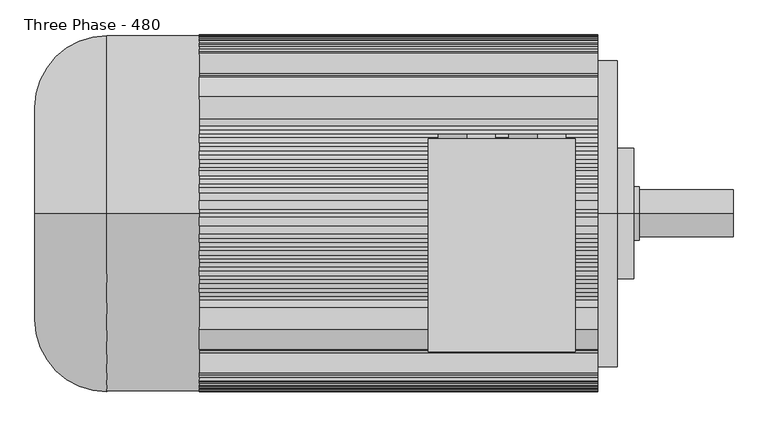
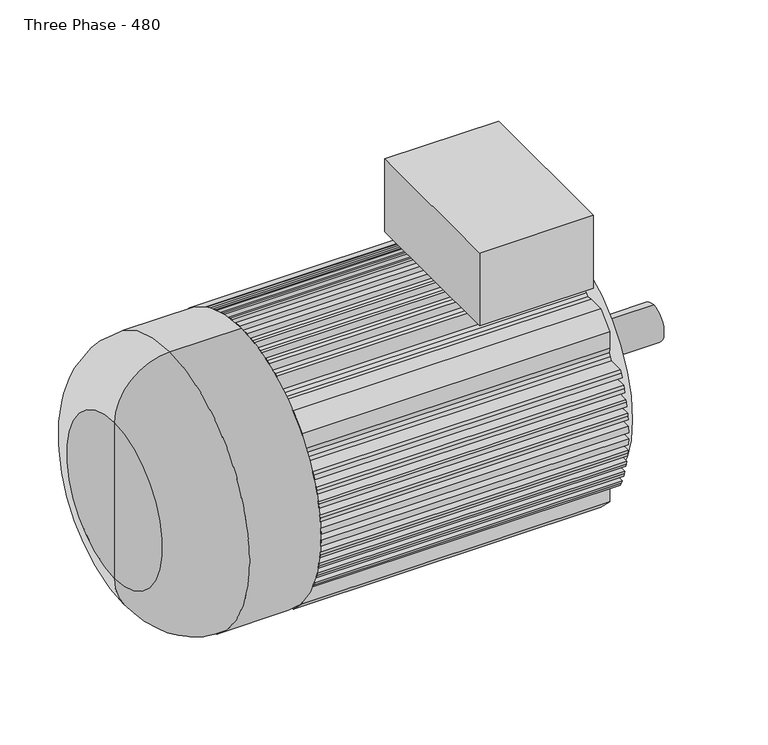
"""IFC4 building model written with IfcOpenShell, lengths in millimetres: proxy geometry, Three Phase - 480."""

from ifc_helpers import new_model, si_unit, point, frame, frame_2d, origin, origin_2d, place, context, project, spatial, polyline, circle_curve, ellipse_curve, trimmed, segment, composite_curve, outline, extrude, source, transform, mapped, element, save
from ifc_brep_helpers import plane_surface, cylinder_surface, revolved_surface, advanced_brep


def three_phase_480_f0021c9d(model_context):
    return source(origin(), model_context, "Body", "SolidModel", [
        advanced_brep(
        [(-180.0, 0.0, 0.0), (-180.0, 0.0, -117.872903), (-180.0, 0.0, 117.872903), (-244.568788, 0.0, 277.0874609), (-244.568788, 0.0, -277.0874609), (-244.568788, 0.0, 0.0), (-209.392113, 0.0, 277.0874609), (-209.392113, 0.0, -277.0874609), (-209.392113, 0.0, 117.872903), (-209.392113, 0.0, -117.872903)],
        [
            (0, 1),
            (1, 2, circle_curve(frame((-180.0, 0.0, 0.0), z_axis=(1.0, 0.0, 0.0), x_axis=(0.0, 0.0, -1.0)), 117.872903)),
            (2, 0),
            (2, 1, circle_curve(frame((-180.0, 0.0, 0.0), z_axis=(1.0, 0.0, 0.0), x_axis=(0.0, 0.0, -1.0)), 117.872903)),
            (3, 4, circle_curve(frame((-244.568788, 0.0, 0.0), z_axis=(-1.0, 0.0, 0.0), x_axis=(0.0, 0.0, -1.0)), 277.0874609)),
            (4, 5),
            (5, 3),
            (4, 3, circle_curve(frame((-244.568788, 0.0, 0.0), z_axis=(-1.0, 0.0, 0.0), x_axis=(0.0, 0.0, -1.0)), 277.0874609)),
            (6, 7, circle_curve(frame((-209.392113, 0.0, 0.0), z_axis=(-1.0, 0.0, 0.0), x_axis=(0.0, 0.0, -1.0)), 277.0874609)),
            (7, 4),
            (3, 6),
            (7, 6, circle_curve(frame((-209.392113, 0.0, 0.0), z_axis=(-1.0, 0.0, 0.0), x_axis=(0.0, 0.0, -1.0)), 277.0874609)),
            (8, 9, circle_curve(frame((-209.392113, 0.0, 0.0), z_axis=(-1.0, 0.0, 0.0), x_axis=(0.0, 0.0, -1.0)), 117.872903)),
            (9, 7),
            (6, 8),
            (9, 8, circle_curve(frame((-209.392113, 0.0, 0.0), z_axis=(-1.0, 0.0, 0.0), x_axis=(0.0, 0.0, -1.0)), 117.872903)),
            (1, 9),
            (8, 2),
        ],
        [
            plane_surface(frame((-180.0, 0.0, 0.0), z_axis=(1.0, 0.0, 0.0), x_axis=(0.0, 0.0, -1.0))),
            plane_surface(frame((-244.568788, 0.0, 0.0), z_axis=(-1.0, 0.0, 0.0), x_axis=(0.0, 0.0, -1.0))),
            cylinder_surface(frame((-1534.6345384, 0.0, 0.0), z_axis=(1.0, 0.0, 0.0), x_axis=(0.0, 0.0, -1.0)), 277.0874609),
            plane_surface(frame((-209.392113, 0.0, 0.0), z_axis=(1.0, 0.0, 0.0), x_axis=(0.0, 0.0, -1.0))),
            cylinder_surface(frame((-1534.6345384, 0.0, 0.0), z_axis=(1.0, 0.0, 0.0), x_axis=(0.0, 0.0, -1.0)), 117.872903),
        ],
        [
            (0, [[1, 2, 3]]),
            (0, [[-3, 4, -1]]),
            (1, [[5, 6, 7]]),
            (1, [[8, -7, -6]]),
            (2, [[9, 10, -5, 11]]),
            (2, [[12, -11, -8, -10]]),
            (3, [[13, 14, -9, 15]]),
            (3, [[16, -15, -12, -14]]),
            (4, [[-2, 17, -13, 18]]),
            (4, [[-4, -18, -16, -17]]),
        ],
    ),
        advanced_brep(
        [(0.0, 0.0, -42.5), (0.0, 0.0, 42.5), (0.0, 0.0, 0.0), (-170.0, 0.0, -42.5), (-170.0, 0.0, 42.5), (-170.0, 0.0, -48.5), (-170.0, 0.0, 48.5), (-180.0, 0.0, -48.5), (-180.0, 0.0, 48.5), (-180.0, 0.0, 0.0)],
        [
            (0, 1, circle_curve(frame((0.0, 0.0, 0.0), z_axis=(1.0, 0.0, 0.0), x_axis=(0.0, 0.0, 1.0)), 42.5)),
            (1, 2),
            (2, 0),
            (1, 0, circle_curve(frame((0.0, 0.0, 0.0), z_axis=(1.0, 0.0, 0.0), x_axis=(0.0, 0.0, 1.0)), 42.5)),
            (3, 4, circle_curve(frame((-170.0, 0.0, 0.0), z_axis=(1.0, 0.0, 0.0), x_axis=(0.0, 0.0, 1.0)), 42.5)),
            (4, 1),
            (0, 3),
            (4, 3, circle_curve(frame((-170.0, 0.0, 0.0), z_axis=(1.0, 0.0, 0.0), x_axis=(0.0, 0.0, 1.0)), 42.5)),
            (5, 6, circle_curve(frame((-170.0, 0.0, 0.0), z_axis=(1.0, 0.0, 0.0), x_axis=(0.0, 0.0, 1.0)), 48.5)),
            (6, 4),
            (3, 5),
            (6, 5, circle_curve(frame((-170.0, 0.0, 0.0), z_axis=(1.0, 0.0, 0.0), x_axis=(0.0, 0.0, 1.0)), 48.5)),
            (7, 8, circle_curve(frame((-180.0, 0.0, 0.0), z_axis=(1.0, 0.0, 0.0), x_axis=(0.0, 0.0, 1.0)), 48.5)),
            (8, 6),
            (5, 7),
            (8, 7, circle_curve(frame((-180.0, 0.0, 0.0), z_axis=(1.0, 0.0, 0.0), x_axis=(0.0, 0.0, 1.0)), 48.5)),
            (9, 8),
            (7, 9),
        ],
        [
            plane_surface(frame((0.0, 0.0, 0.0), z_axis=(1.0, 0.0, 0.0), x_axis=(0.0, 0.0, 1.0))),
            cylinder_surface(frame((0.0, 0.0, 0.0), z_axis=(-1.0, 0.0, 0.0), x_axis=(0.0, 0.0, 1.0)), 42.5),
            plane_surface(frame((-170.0, 0.0, 0.0), z_axis=(1.0, 0.0, 0.0), x_axis=(0.0, 0.0, 1.0))),
            cylinder_surface(frame((0.0, 0.0, 0.0), z_axis=(-1.0, 0.0, 0.0), x_axis=(0.0, 0.0, 1.0)), 48.5),
            plane_surface(frame((-180.0, 0.0, 0.0), z_axis=(-1.0, 0.0, 0.0), x_axis=(0.0, 0.0, 1.0))),
        ],
        [
            (0, [[1, 2, 3]]),
            (0, [[4, -3, -2]]),
            (1, [[5, 6, -1, 7]]),
            (1, [[8, -7, -4, -6]]),
            (2, [[9, 10, -5, 11]]),
            (2, [[12, -11, -8, -10]]),
            (3, [[13, 14, -9, 15]]),
            (3, [[16, -15, -12, -14]]),
            (4, [[17, -13, 18]]),
            (4, [[-18, -16, -17]]),
        ],
    ),
        extrude(outline(composite_curve([segment(trimmed(circle_curve(frame_2d((421.1011738, -354.2792793)), 51.5), [point((369.6011738, -354.2792793))], [point((472.6011738, -354.2792793))], False, "CARTESIAN"), True, "CONTINUOUS"), segment(trimmed(circle_curve(frame_2d((421.1011738, -354.2792793)), 51.5), [point((472.6011738, -354.2792793))], [point((369.6011738, -354.2792793))], False, "CARTESIAN"), True, "CONTINUOUS")], self_intersect=False)), frame((0.0, 135.0, 0.0), z_axis=(0.0, 1.0, 0.0), x_axis=(0.0, 0.0, 1.0)), (0.0, 0.0, 1.0), 7.5),
        extrude(outline(composite_curve([segment(trimmed(circle_curve(frame_2d((421.1011738, -481.7207207)), 51.5), [point((369.6011738, -481.7207207))], [point((472.6011738, -481.7207207))], False, "CARTESIAN"), True, "CONTINUOUS"), segment(trimmed(circle_curve(frame_2d((421.1011738, -481.7207207)), 51.5), [point((472.6011738, -481.7207207))], [point((369.6011738, -481.7207207))], False, "CARTESIAN"), True, "CONTINUOUS")], self_intersect=False)), frame((0.0, 135.0, 0.0), z_axis=(0.0, 1.0, 0.0), x_axis=(0.0, 0.0, 1.0)), (0.0, 0.0, 1.0), 7.5),
        extrude(outline(polyline([(-285.0, 135.0), (-285.0, -250.0), (-551.0, -250.0), (-551.0, 135.0), (-285.0, 135.0)])), frame((0.0, 0.0, 334.999977), z_axis=(0.0, 0.0, 1.0), x_axis=(1.0, 0.0, 0.0)), (0.0, 0.0, 1.0), 180.0),
        extrude(outline(composite_curve([segment(trimmed(circle_curve(origin_2d(), 290.0), [point((-149.8159558, 248.3046101))], [point((-142.5, 252.5742465))], False, "CARTESIAN"), True, "CONTINUOUS"), segment(polyline([(-142.5, 252.5742465), (-142.5, 289.3095228)]), True, "CONTINUOUS"), segment(trimmed(circle_curve(origin_2d(), 322.5), [point((-142.5, 289.3095228))], [point((-136.2377877, 292.3106485))], False, "CARTESIAN"), True, "CONTINUOUS"), segment(trimmed(circle_curve(origin_2d(), 322.5), [point((-136.2377877, 292.3106485))], [point((-127.5, 296.2262649))], False, "CARTESIAN"), True, "CONTINUOUS"), segment(polyline([(-127.5, 296.2262649), (-127.5, 260.4683282)]), True, "CONTINUOUS"), segment(trimmed(circle_curve(origin_2d(), 290.0), [point((-127.5, 260.4683282))], [point((-119.8687539, 264.0671919))], False, "CARTESIAN"), True, "CONTINUOUS"), segment(trimmed(circle_curve(origin_2d(), 290.0), [point((-119.8687539, 264.0671919))], [point((-112.5, 267.2896369))], False, "CARTESIAN"), True, "CONTINUOUS"), segment(polyline([(-112.5, 267.2896369), (-112.5, 302.2416252)]), True, "CONTINUOUS"), segment(trimmed(circle_curve(origin_2d(), 322.5), [point((-112.5, 302.2416252))], [point((-104.8320547, 304.9860494))], False, "CARTESIAN"), True, "CONTINUOUS"), segment(trimmed(circle_curve(origin_2d(), 322.5), [point((-104.8320547, 304.9860494))], [point((-97.5, 307.408523))], False, "CARTESIAN"), True, "CONTINUOUS"), segment(polyline([(-97.5, 307.408523), (-97.5, 273.118564)]), True, "CONTINUOUS"), segment(trimmed(circle_curve(origin_2d(), 290.0), [point((-97.5, 273.118564))], [point((-89.7764384, 275.7538596))], False, "CARTESIAN"), True, "CONTINUOUS"), segment(trimmed(circle_curve(origin_2d(), 290.0), [point((-89.7764384, 275.7538596))], [point((-82.5, 278.0175354))], False, "CARTESIAN"), True, "CONTINUOUS"), segment(polyline([(-82.5, 278.0175354), (-82.5, 311.7691454)]), True, "CONTINUOUS"), segment(trimmed(circle_curve(origin_2d(), 322.5), [point((-82.5, 311.7691454))], [point((-76.9216466, 313.19213))], False, "CARTESIAN"), True, "CONTINUOUS"), segment(trimmed(circle_curve(origin_2d(), 322.5), [point((-76.9216466, 313.19213))], [point((-67.5, 315.3569406))], False, "CARTESIAN"), True, "CONTINUOUS"), segment(polyline([(-67.5, 315.3569406), (-67.5, 282.0350156)]), True, "CONTINUOUS"), segment(trimmed(circle_curve(origin_2d(), 290.0), [point((-67.5, 282.0350156))], [point((-61.3123716, 283.444515))], False, "CARTESIAN"), True, "CONTINUOUS"), segment(trimmed(circle_curve(origin_2d(), 290.0), [point((-61.3123716, 283.444515))], [point((-52.5, 285.2082572))], False, "CARTESIAN"), True, "CONTINUOUS"), segment(polyline([(-52.5, 285.2082572), (-52.5, 318.1980515)]), True, "CONTINUOUS"), segment(trimmed(circle_curve(origin_2d(), 322.5), [point((-52.5, 318.1980515))], [point((-46.1406769, 319.1822174))], False, "CARTESIAN"), True, "CONTINUOUS"), segment(trimmed(circle_curve(origin_2d(), 322.5), [point((-46.1406769, 319.1822174))], [point((-37.5, 320.3123476))], False, "CARTESIAN"), True, "CONTINUOUS"), segment(polyline([(-37.5, 320.3123476), (-37.5, 287.56521)]), True, "CONTINUOUS"), segment(trimmed(circle_curve(origin_2d(), 290.0), [point((-37.5, 287.56521))], [point((-22.5, 289.1258377))], False, "CARTESIAN"), True, "CONTINUOUS"), segment(polyline([(-22.5, 289.1258377), (-22.5, 321.7141588)]), True, "CONTINUOUS"), segment(trimmed(circle_curve(origin_2d(), 322.5), [point((-22.5, 321.7141588))], [point((-7.5, 322.4127789))], False, "CARTESIAN"), True, "CONTINUOUS"), segment(polyline([(-7.5, 322.4127789), (-7.5, 289.903001)]), True, "CONTINUOUS"), segment(trimmed(circle_curve(origin_2d(), 290.0), [point((-7.5, 289.903001))], [point((0.0, 290.0))], False, "CARTESIAN"), True, "CONTINUOUS"), segment(trimmed(circle_curve(origin_2d(), 290.0), [point((0.0, 290.0))], [point((7.5, 289.903001))], False, "CARTESIAN"), True, "CONTINUOUS"), segment(polyline([(7.5, 289.903001), (7.5, 322.4127789)]), True, "CONTINUOUS"), segment(trimmed(circle_curve(origin_2d(), 322.5), [point((7.5, 322.4127789))], [point((22.5, 321.7141588))], False, "CARTESIAN"), True, "CONTINUOUS"), segment(polyline([(22.5, 321.7141588), (22.5, 289.1258377)]), True, "CONTINUOUS"), segment(trimmed(circle_curve(origin_2d(), 290.0), [point((22.5, 289.1258377))], [point((37.5, 287.56521))], False, "CARTESIAN"), True, "CONTINUOUS"), segment(polyline([(37.5, 287.56521), (37.5, 320.3123476)]), True, "CONTINUOUS"), segment(trimmed(circle_curve(origin_2d(), 322.5), [point((37.5, 320.3123476))], [point((46.1406769, 319.1822174))], False, "CARTESIAN"), True, "CONTINUOUS"), segment(trimmed(circle_curve(origin_2d(), 322.5), [point((46.1406769, 319.1822174))], [point((52.5, 318.1980515))], False, "CARTESIAN"), True, "CONTINUOUS"), segment(polyline([(52.5, 318.1980515), (52.5, 285.2082572)]), True, "CONTINUOUS"), segment(trimmed(circle_curve(origin_2d(), 290.0), [point((52.5, 285.2082572))], [point((61.3123716, 283.444515))], False, "CARTESIAN"), True, "CONTINUOUS"), segment(trimmed(circle_curve(origin_2d(), 290.0), [point((61.3123716, 283.444515))], [point((67.5, 282.0350156))], False, "CARTESIAN"), True, "CONTINUOUS"), segment(polyline([(67.5, 282.0350156), (67.5, 315.3569406)]), True, "CONTINUOUS"), segment(trimmed(circle_curve(origin_2d(), 322.5), [point((67.5, 315.3569406))], [point((76.9216466, 313.19213))], False, "CARTESIAN"), True, "CONTINUOUS"), segment(trimmed(circle_curve(origin_2d(), 322.5), [point((76.9216466, 313.19213))], [point((82.5, 311.7691454))], False, "CARTESIAN"), True, "CONTINUOUS"), segment(polyline([(82.5, 311.7691454), (82.5, 278.0175354)]), True, "CONTINUOUS"), segment(trimmed(circle_curve(origin_2d(), 290.0), [point((82.5, 278.0175354))], [point((89.7764384, 275.7538596))], False, "CARTESIAN"), True, "CONTINUOUS"), segment(trimmed(circle_curve(origin_2d(), 290.0), [point((89.7764384, 275.7538596))], [point((97.5, 273.118564))], False, "CARTESIAN"), True, "CONTINUOUS"), segment(polyline([(97.5, 273.118564), (97.5, 307.408523)]), True, "CONTINUOUS"), segment(trimmed(circle_curve(origin_2d(), 322.5), [point((97.5, 307.408523))], [point((104.8320547, 304.9860494))], False, "CARTESIAN"), True, "CONTINUOUS"), segment(trimmed(circle_curve(origin_2d(), 322.5), [point((104.8320547, 304.9860494))], [point((112.5, 302.2416252))], False, "CARTESIAN"), True, "CONTINUOUS"), segment(polyline([(112.5, 302.2416252), (112.5, 267.2896369)]), True, "CONTINUOUS"), segment(trimmed(circle_curve(origin_2d(), 290.0), [point((112.5, 267.2896369))], [point((119.8687539, 264.0671919))], False, "CARTESIAN"), True, "CONTINUOUS"), segment(trimmed(circle_curve(origin_2d(), 290.0), [point((119.8687539, 264.0671919))], [point((127.5, 260.4683282))], False, "CARTESIAN"), True, "CONTINUOUS"), segment(polyline([(127.5, 260.4683282), (127.5, 296.2262649)]), True, "CONTINUOUS"), segment(trimmed(circle_curve(origin_2d(), 322.5), [point((127.5, 296.2262649))], [point((136.2377877, 292.3106485))], False, "CARTESIAN"), True, "CONTINUOUS"), segment(trimmed(circle_curve(origin_2d(), 322.5), [point((136.2377877, 292.3106485))], [point((142.5, 289.3095228))], False, "CARTESIAN"), True, "CONTINUOUS"), segment(polyline([(142.5, 289.3095228), (142.5, 252.5742465)]), True, "CONTINUOUS"), segment(trimmed(circle_curve(origin_2d(), 290.0), [point((142.5, 252.5742465))], [point((149.8159558, 248.3046101))], False, "CARTESIAN"), True, "CONTINUOUS"), segment(trimmed(circle_curve(origin_2d(), 290.0), [point((149.8159558, 248.3046101))], [point((157.5, 243.5030801))], False, "CARTESIAN"), True, "CONTINUOUS"), segment(polyline([(157.5, 243.5030801), (170.2834736, 245.7196065), (210.3642674, 245.7196065), (245.7196065, 210.3642674), (245.7196065, 170.2834736), (243.5030801, 157.5)]), True, "CONTINUOUS"), segment(trimmed(circle_curve(origin_2d(), 290.0), [point((243.5030801, 157.5))], [point((248.3046101, 149.8159558))], False, "CARTESIAN"), True, "CONTINUOUS"), segment(trimmed(circle_curve(origin_2d(), 290.0), [point((248.3046101, 149.8159558))], [point((252.5742465, 142.5))], False, "CARTESIAN"), True, "CONTINUOUS"), segment(polyline([(252.5742465, 142.5), (289.3095228, 142.5)]), True, "CONTINUOUS"), segment(trimmed(circle_curve(origin_2d(), 322.5), [point((289.3095228, 142.5))], [point((292.3106485, 136.2377877))], False, "CARTESIAN"), True, "CONTINUOUS"), segment(trimmed(circle_curve(origin_2d(), 322.5), [point((292.3106485, 136.2377877))], [point((296.2262649, 127.5))], False, "CARTESIAN"), True, "CONTINUOUS"), segment(polyline([(296.2262649, 127.5), (260.4683282, 127.5)]), True, "CONTINUOUS"), segment(trimmed(circle_curve(origin_2d(), 290.0), [point((260.4683282, 127.5))], [point((264.0671919, 119.8687539))], False, "CARTESIAN"), True, "CONTINUOUS"), segment(trimmed(circle_curve(origin_2d(), 290.0), [point((264.0671919, 119.8687539))], [point((267.2896369, 112.5))], False, "CARTESIAN"), True, "CONTINUOUS"), segment(polyline([(267.2896369, 112.5), (302.2416252, 112.5)]), True, "CONTINUOUS"), segment(trimmed(circle_curve(origin_2d(), 322.5), [point((302.2416252, 112.5))], [point((304.9860494, 104.8320547))], False, "CARTESIAN"), True, "CONTINUOUS"), segment(trimmed(circle_curve(origin_2d(), 322.5), [point((304.9860494, 104.8320547))], [point((307.408523, 97.5))], False, "CARTESIAN"), True, "CONTINUOUS"), segment(polyline([(307.408523, 97.5), (273.118564, 97.5)]), True, "CONTINUOUS"), segment(trimmed(circle_curve(origin_2d(), 290.0), [point((273.118564, 97.5))], [point((275.7538596, 89.7764384))], False, "CARTESIAN"), True, "CONTINUOUS"), segment(trimmed(circle_curve(origin_2d(), 290.0), [point((275.7538596, 89.7764384))], [point((278.0175354, 82.5))], False, "CARTESIAN"), True, "CONTINUOUS"), segment(polyline([(278.0175354, 82.5), (311.7691454, 82.5)]), True, "CONTINUOUS"), segment(trimmed(circle_curve(origin_2d(), 322.5), [point((311.7691454, 82.5))], [point((313.19213, 76.9216466))], False, "CARTESIAN"), True, "CONTINUOUS"), segment(trimmed(circle_curve(origin_2d(), 322.5), [point((313.19213, 76.9216466))], [point((315.3569406, 67.5))], False, "CARTESIAN"), True, "CONTINUOUS"), segment(polyline([(315.3569406, 67.5), (282.0350156, 67.5)]), True, "CONTINUOUS"), segment(trimmed(circle_curve(origin_2d(), 290.0), [point((282.0350156, 67.5))], [point((283.444515, 61.3123716))], False, "CARTESIAN"), True, "CONTINUOUS"), segment(trimmed(circle_curve(origin_2d(), 290.0), [point((283.444515, 61.3123716))], [point((285.2082572, 52.5))], False, "CARTESIAN"), True, "CONTINUOUS"), segment(polyline([(285.2082572, 52.5), (318.1980515, 52.5)]), True, "CONTINUOUS"), segment(trimmed(circle_curve(origin_2d(), 322.5), [point((318.1980515, 52.5))], [point((319.1822174, 46.1406769))], False, "CARTESIAN"), True, "CONTINUOUS"), segment(trimmed(circle_curve(origin_2d(), 322.5), [point((319.1822174, 46.1406769))], [point((320.3123476, 37.5))], False, "CARTESIAN"), True, "CONTINUOUS"), segment(polyline([(320.3123476, 37.5), (287.56521, 37.5)]), True, "CONTINUOUS"), segment(trimmed(circle_curve(origin_2d(), 290.0), [point((287.56521, 37.5))], [point((289.1258377, 22.5))], False, "CARTESIAN"), True, "CONTINUOUS"), segment(polyline([(289.1258377, 22.5), (321.7141588, 22.5)]), True, "CONTINUOUS"), segment(trimmed(circle_curve(origin_2d(), 322.5), [point((321.7141588, 22.5))], [point((322.4127789, 7.5))], False, "CARTESIAN"), True, "CONTINUOUS"), segment(polyline([(322.4127789, 7.5), (289.903001, 7.5)]), True, "CONTINUOUS"), segment(trimmed(circle_curve(origin_2d(), 290.0), [point((289.903001, 7.5))], [point((290.0, 0.0))], False, "CARTESIAN"), True, "CONTINUOUS"), segment(trimmed(circle_curve(origin_2d(), 290.0), [point((290.0, 0.0))], [point((289.903001, -7.5))], False, "CARTESIAN"), True, "CONTINUOUS"), segment(polyline([(289.903001, -7.5), (322.4127789, -7.5)]), True, "CONTINUOUS"), segment(trimmed(circle_curve(origin_2d(), 322.5), [point((322.4127789, -7.5))], [point((321.7141588, -22.5))], False, "CARTESIAN"), True, "CONTINUOUS"), segment(polyline([(321.7141588, -22.5), (289.1258377, -22.5)]), True, "CONTINUOUS"), segment(trimmed(circle_curve(origin_2d(), 290.0), [point((289.1258377, -22.5))], [point((287.56521, -37.5))], False, "CARTESIAN"), True, "CONTINUOUS"), segment(polyline([(287.56521, -37.5), (320.3123476, -37.5)]), True, "CONTINUOUS"), segment(trimmed(circle_curve(origin_2d(), 322.5), [point((320.3123476, -37.5))], [point((319.1822174, -46.1406769))], False, "CARTESIAN"), True, "CONTINUOUS"), segment(trimmed(circle_curve(origin_2d(), 322.5), [point((319.1822174, -46.1406769))], [point((318.1980515, -52.5))], False, "CARTESIAN"), True, "CONTINUOUS"), segment(polyline([(318.1980515, -52.5), (285.2082572, -52.5)]), True, "CONTINUOUS"), segment(trimmed(circle_curve(origin_2d(), 290.0), [point((285.2082572, -52.5))], [point((283.444515, -61.3123716))], False, "CARTESIAN"), True, "CONTINUOUS"), segment(trimmed(circle_curve(origin_2d(), 290.0), [point((283.444515, -61.3123716))], [point((282.0350156, -67.5))], False, "CARTESIAN"), True, "CONTINUOUS"), segment(polyline([(282.0350156, -67.5), (315.3569406, -67.5)]), True, "CONTINUOUS"), segment(trimmed(circle_curve(origin_2d(), 322.5), [point((315.3569406, -67.5))], [point((313.19213, -76.9216466))], False, "CARTESIAN"), True, "CONTINUOUS"), segment(trimmed(circle_curve(origin_2d(), 322.5), [point((313.19213, -76.9216466))], [point((311.7691454, -82.5))], False, "CARTESIAN"), True, "CONTINUOUS"), segment(polyline([(311.7691454, -82.5), (278.0175354, -82.5)]), True, "CONTINUOUS"), segment(trimmed(circle_curve(origin_2d(), 290.0), [point((278.0175354, -82.5))], [point((275.7538596, -89.7764384))], False, "CARTESIAN"), True, "CONTINUOUS"), segment(trimmed(circle_curve(origin_2d(), 290.0), [point((275.7538596, -89.7764384))], [point((273.118564, -97.5))], False, "CARTESIAN"), True, "CONTINUOUS"), segment(polyline([(273.118564, -97.5), (307.408523, -97.5)]), True, "CONTINUOUS"), segment(trimmed(circle_curve(origin_2d(), 322.5), [point((307.408523, -97.5))], [point((304.9860494, -104.8320547))], False, "CARTESIAN"), True, "CONTINUOUS"), segment(trimmed(circle_curve(origin_2d(), 322.5), [point((304.9860494, -104.8320547))], [point((302.2416252, -112.5))], False, "CARTESIAN"), True, "CONTINUOUS"), segment(polyline([(302.2416252, -112.5), (267.2896369, -112.5)]), True, "CONTINUOUS"), segment(trimmed(circle_curve(origin_2d(), 290.0), [point((267.2896369, -112.5))], [point((264.0671919, -119.8687539))], False, "CARTESIAN"), True, "CONTINUOUS"), segment(trimmed(circle_curve(origin_2d(), 290.0), [point((264.0671919, -119.8687539))], [point((260.4683282, -127.5))], False, "CARTESIAN"), True, "CONTINUOUS"), segment(polyline([(260.4683282, -127.5), (296.2262649, -127.5)]), True, "CONTINUOUS"), segment(trimmed(circle_curve(origin_2d(), 322.5), [point((296.2262649, -127.5))], [point((292.3106485, -136.2377877))], False, "CARTESIAN"), True, "CONTINUOUS"), segment(trimmed(circle_curve(origin_2d(), 322.5), [point((292.3106485, -136.2377877))], [point((289.3095228, -142.5))], False, "CARTESIAN"), True, "CONTINUOUS"), segment(polyline([(289.3095228, -142.5), (252.5742465, -142.5)]), True, "CONTINUOUS"), segment(trimmed(circle_curve(origin_2d(), 290.0), [point((252.5742465, -142.5))], [point((248.3046101, -149.8159558))], False, "CARTESIAN"), True, "CONTINUOUS"), segment(trimmed(circle_curve(origin_2d(), 290.0), [point((248.3046101, -149.8159558))], [point((243.5030801, -157.5))], False, "CARTESIAN"), True, "CONTINUOUS"), segment(polyline([(243.5030801, -157.5), (245.7196065, -170.2834736), (245.7196065, -210.3642674), (210.3642674, -245.7196065), (170.2834736, -245.7196065), (157.5, -243.5030801)]), True, "CONTINUOUS"), segment(trimmed(circle_curve(origin_2d(), 290.0), [point((157.5, -243.5030801))], [point((149.8159558, -248.3046101))], False, "CARTESIAN"), True, "CONTINUOUS"), segment(trimmed(circle_curve(origin_2d(), 290.0), [point((149.8159558, -248.3046101))], [point((142.5, -252.5742465))], False, "CARTESIAN"), True, "CONTINUOUS"), segment(polyline([(142.5, -252.5742465), (142.5, -289.3095228)]), True, "CONTINUOUS"), segment(trimmed(circle_curve(origin_2d(), 322.5), [point((142.5, -289.3095228))], [point((136.2377877, -292.3106485))], False, "CARTESIAN"), True, "CONTINUOUS"), segment(trimmed(circle_curve(origin_2d(), 322.5), [point((136.2377877, -292.3106485))], [point((127.5, -296.2262649))], False, "CARTESIAN"), True, "CONTINUOUS"), segment(polyline([(127.5, -296.2262649), (127.5, -260.4683282)]), True, "CONTINUOUS"), segment(trimmed(circle_curve(origin_2d(), 290.0), [point((127.5, -260.4683282))], [point((119.8687539, -264.0671919))], False, "CARTESIAN"), True, "CONTINUOUS"), segment(trimmed(circle_curve(origin_2d(), 290.0), [point((119.8687539, -264.0671919))], [point((112.5, -267.2896369))], False, "CARTESIAN"), True, "CONTINUOUS"), segment(polyline([(112.5, -267.2896369), (112.5, -302.2416252)]), True, "CONTINUOUS"), segment(trimmed(circle_curve(origin_2d(), 322.5), [point((112.5, -302.2416252))], [point((104.8320547, -304.9860494))], False, "CARTESIAN"), True, "CONTINUOUS"), segment(trimmed(circle_curve(origin_2d(), 322.5), [point((104.8320547, -304.9860494))], [point((97.5, -307.408523))], False, "CARTESIAN"), True, "CONTINUOUS"), segment(polyline([(97.5, -307.408523), (97.5, -273.118564)]), True, "CONTINUOUS"), segment(trimmed(circle_curve(origin_2d(), 290.0), [point((97.5, -273.118564))], [point((89.7764384, -275.7538596))], False, "CARTESIAN"), True, "CONTINUOUS"), segment(trimmed(circle_curve(origin_2d(), 290.0), [point((89.7764384, -275.7538596))], [point((82.5, -278.0175354))], False, "CARTESIAN"), True, "CONTINUOUS"), segment(polyline([(82.5, -278.0175354), (82.5, -311.7691454)]), True, "CONTINUOUS"), segment(trimmed(circle_curve(origin_2d(), 322.5), [point((82.5, -311.7691454))], [point((76.9216466, -313.19213))], False, "CARTESIAN"), True, "CONTINUOUS"), segment(trimmed(circle_curve(origin_2d(), 322.5), [point((76.9216466, -313.19213))], [point((67.5, -315.3569406))], False, "CARTESIAN"), True, "CONTINUOUS"), segment(polyline([(67.5, -315.3569406), (67.5, -282.0350156)]), True, "CONTINUOUS"), segment(trimmed(circle_curve(origin_2d(), 290.0), [point((67.5, -282.0350156))], [point((61.3123716, -283.444515))], False, "CARTESIAN"), True, "CONTINUOUS"), segment(trimmed(circle_curve(origin_2d(), 290.0), [point((61.3123716, -283.444515))], [point((52.5, -285.2082572))], False, "CARTESIAN"), True, "CONTINUOUS"), segment(polyline([(52.5, -285.2082572), (52.5, -318.1980515)]), True, "CONTINUOUS"), segment(trimmed(circle_curve(origin_2d(), 322.5), [point((52.5, -318.1980515))], [point((46.1406769, -319.1822174))], False, "CARTESIAN"), True, "CONTINUOUS"), segment(trimmed(circle_curve(origin_2d(), 322.5), [point((46.1406769, -319.1822174))], [point((37.5, -320.3123476))], False, "CARTESIAN"), True, "CONTINUOUS"), segment(polyline([(37.5, -320.3123476), (37.5, -287.56521)]), True, "CONTINUOUS"), segment(trimmed(circle_curve(origin_2d(), 290.0), [point((37.5, -287.56521))], [point((22.5, -289.1258377))], False, "CARTESIAN"), True, "CONTINUOUS"), segment(polyline([(22.5, -289.1258377), (22.5, -321.7141588)]), True, "CONTINUOUS"), segment(trimmed(circle_curve(origin_2d(), 322.5), [point((22.5, -321.7141588))], [point((7.5, -322.4127789))], False, "CARTESIAN"), True, "CONTINUOUS"), segment(polyline([(7.5, -322.4127789), (7.5, -289.903001)]), True, "CONTINUOUS"), segment(trimmed(circle_curve(origin_2d(), 290.0), [point((7.5, -289.903001))], [point((0.0, -290.0))], False, "CARTESIAN"), True, "CONTINUOUS"), segment(trimmed(circle_curve(origin_2d(), 290.0), [point((0.0, -290.0))], [point((-7.5, -289.903001))], False, "CARTESIAN"), True, "CONTINUOUS"), segment(polyline([(-7.5, -289.903001), (-7.5, -322.4127789)]), True, "CONTINUOUS"), segment(trimmed(circle_curve(origin_2d(), 322.5), [point((-7.5, -322.4127789))], [point((-22.5, -321.7141588))], False, "CARTESIAN"), True, "CONTINUOUS"), segment(polyline([(-22.5, -321.7141588), (-22.5, -289.1258377)]), True, "CONTINUOUS"), segment(trimmed(circle_curve(origin_2d(), 290.0), [point((-22.5, -289.1258377))], [point((-37.5, -287.56521))], False, "CARTESIAN"), True, "CONTINUOUS"), segment(polyline([(-37.5, -287.56521), (-37.5, -320.3123476)]), True, "CONTINUOUS"), segment(trimmed(circle_curve(origin_2d(), 322.5), [point((-37.5, -320.3123476))], [point((-46.1406769, -319.1822174))], False, "CARTESIAN"), True, "CONTINUOUS"), segment(trimmed(circle_curve(origin_2d(), 322.5), [point((-46.1406769, -319.1822174))], [point((-52.5, -318.1980515))], False, "CARTESIAN"), True, "CONTINUOUS"), segment(polyline([(-52.5, -318.1980515), (-52.5, -285.2082572)]), True, "CONTINUOUS"), segment(trimmed(circle_curve(origin_2d(), 290.0), [point((-52.5, -285.2082572))], [point((-61.3123716, -283.444515))], False, "CARTESIAN"), True, "CONTINUOUS"), segment(trimmed(circle_curve(origin_2d(), 290.0), [point((-61.3123716, -283.444515))], [point((-67.5, -282.0350156))], False, "CARTESIAN"), True, "CONTINUOUS"), segment(polyline([(-67.5, -282.0350156), (-67.5, -315.3569406)]), True, "CONTINUOUS"), segment(trimmed(circle_curve(origin_2d(), 322.5), [point((-67.5, -315.3569406))], [point((-76.9216466, -313.19213))], False, "CARTESIAN"), True, "CONTINUOUS"), segment(trimmed(circle_curve(origin_2d(), 322.5), [point((-76.9216466, -313.19213))], [point((-82.5, -311.7691454))], False, "CARTESIAN"), True, "CONTINUOUS"), segment(polyline([(-82.5, -311.7691454), (-82.5, -278.0175354)]), True, "CONTINUOUS"), segment(trimmed(circle_curve(origin_2d(), 290.0), [point((-82.5, -278.0175354))], [point((-89.7764384, -275.7538596))], False, "CARTESIAN"), True, "CONTINUOUS"), segment(trimmed(circle_curve(origin_2d(), 290.0), [point((-89.7764384, -275.7538596))], [point((-97.5, -273.118564))], False, "CARTESIAN"), True, "CONTINUOUS"), segment(polyline([(-97.5, -273.118564), (-97.5, -307.408523)]), True, "CONTINUOUS"), segment(trimmed(circle_curve(origin_2d(), 322.5), [point((-97.5, -307.408523))], [point((-104.8320547, -304.9860494))], False, "CARTESIAN"), True, "CONTINUOUS"), segment(trimmed(circle_curve(origin_2d(), 322.5), [point((-104.8320547, -304.9860494))], [point((-112.5, -302.2416252))], False, "CARTESIAN"), True, "CONTINUOUS"), segment(polyline([(-112.5, -302.2416252), (-112.5, -267.2896369)]), True, "CONTINUOUS"), segment(trimmed(circle_curve(origin_2d(), 290.0), [point((-112.5, -267.2896369))], [point((-119.8687539, -264.0671919))], False, "CARTESIAN"), True, "CONTINUOUS"), segment(trimmed(circle_curve(origin_2d(), 290.0), [point((-119.8687539, -264.0671919))], [point((-127.5, -260.4683282))], False, "CARTESIAN"), True, "CONTINUOUS"), segment(polyline([(-127.5, -260.4683282), (-127.5, -296.2262649)]), True, "CONTINUOUS"), segment(trimmed(circle_curve(origin_2d(), 322.5), [point((-127.5, -296.2262649))], [point((-136.2377877, -292.3106485))], False, "CARTESIAN"), True, "CONTINUOUS"), segment(trimmed(circle_curve(origin_2d(), 322.5), [point((-136.2377877, -292.3106485))], [point((-142.5, -289.3095228))], False, "CARTESIAN"), True, "CONTINUOUS"), segment(polyline([(-142.5, -289.3095228), (-142.5, -252.5742465)]), True, "CONTINUOUS"), segment(trimmed(circle_curve(origin_2d(), 290.0), [point((-142.5, -252.5742465))], [point((-149.8159558, -248.3046101))], False, "CARTESIAN"), True, "CONTINUOUS"), segment(trimmed(circle_curve(origin_2d(), 290.0), [point((-149.8159558, -248.3046101))], [point((-157.5, -243.5030801))], False, "CARTESIAN"), True, "CONTINUOUS"), segment(polyline([(-157.5, -243.5030801), (-170.2834736, -245.7196065), (-210.3642674, -245.7196065), (-245.7196065, -210.3642674), (-245.7196065, -170.2834736), (-243.5030801, -157.5)]), True, "CONTINUOUS"), segment(trimmed(circle_curve(origin_2d(), 290.0), [point((-243.5030801, -157.5))], [point((-248.3046101, -149.8159558))], False, "CARTESIAN"), True, "CONTINUOUS"), segment(trimmed(circle_curve(origin_2d(), 290.0), [point((-248.3046101, -149.8159558))], [point((-252.5742465, -142.5))], False, "CARTESIAN"), True, "CONTINUOUS"), segment(polyline([(-252.5742465, -142.5), (-289.3095228, -142.5)]), True, "CONTINUOUS"), segment(trimmed(circle_curve(origin_2d(), 322.5), [point((-289.3095228, -142.5))], [point((-292.3106485, -136.2377877))], False, "CARTESIAN"), True, "CONTINUOUS"), segment(trimmed(circle_curve(origin_2d(), 322.5), [point((-292.3106485, -136.2377877))], [point((-296.2262649, -127.5))], False, "CARTESIAN"), True, "CONTINUOUS"), segment(polyline([(-296.2262649, -127.5), (-260.4683282, -127.5)]), True, "CONTINUOUS"), segment(trimmed(circle_curve(origin_2d(), 290.0), [point((-260.4683282, -127.5))], [point((-264.0671919, -119.8687539))], False, "CARTESIAN"), True, "CONTINUOUS"), segment(trimmed(circle_curve(origin_2d(), 290.0), [point((-264.0671919, -119.8687539))], [point((-267.2896369, -112.5))], False, "CARTESIAN"), True, "CONTINUOUS"), segment(polyline([(-267.2896369, -112.5), (-302.2416252, -112.5)]), True, "CONTINUOUS"), segment(trimmed(circle_curve(origin_2d(), 322.5), [point((-302.2416252, -112.5))], [point((-304.9860494, -104.8320547))], False, "CARTESIAN"), True, "CONTINUOUS"), segment(trimmed(circle_curve(origin_2d(), 322.5), [point((-304.9860494, -104.8320547))], [point((-307.408523, -97.5))], False, "CARTESIAN"), True, "CONTINUOUS"), segment(polyline([(-307.408523, -97.5), (-273.118564, -97.5)]), True, "CONTINUOUS"), segment(trimmed(circle_curve(origin_2d(), 290.0), [point((-273.118564, -97.5))], [point((-275.7538596, -89.7764384))], False, "CARTESIAN"), True, "CONTINUOUS"), segment(trimmed(circle_curve(origin_2d(), 290.0), [point((-275.7538596, -89.7764384))], [point((-278.0175354, -82.5))], False, "CARTESIAN"), True, "CONTINUOUS"), segment(polyline([(-278.0175354, -82.5), (-311.7691454, -82.5)]), True, "CONTINUOUS"), segment(trimmed(circle_curve(origin_2d(), 322.5), [point((-311.7691454, -82.5))], [point((-313.19213, -76.9216466))], False, "CARTESIAN"), True, "CONTINUOUS"), segment(trimmed(circle_curve(origin_2d(), 322.5), [point((-313.19213, -76.9216466))], [point((-315.3569406, -67.5))], False, "CARTESIAN"), True, "CONTINUOUS"), segment(polyline([(-315.3569406, -67.5), (-282.0350156, -67.5)]), True, "CONTINUOUS"), segment(trimmed(circle_curve(origin_2d(), 290.0), [point((-282.0350156, -67.5))], [point((-283.444515, -61.3123716))], False, "CARTESIAN"), True, "CONTINUOUS"), segment(trimmed(circle_curve(origin_2d(), 290.0), [point((-283.444515, -61.3123716))], [point((-285.2082572, -52.5))], False, "CARTESIAN"), True, "CONTINUOUS"), segment(polyline([(-285.2082572, -52.5), (-318.1980515, -52.5)]), True, "CONTINUOUS"), segment(trimmed(circle_curve(origin_2d(), 322.5), [point((-318.1980515, -52.5))], [point((-319.1822174, -46.1406769))], False, "CARTESIAN"), True, "CONTINUOUS"), segment(trimmed(circle_curve(origin_2d(), 322.5), [point((-319.1822174, -46.1406769))], [point((-320.3123476, -37.5))], False, "CARTESIAN"), True, "CONTINUOUS"), segment(polyline([(-320.3123476, -37.5), (-287.56521, -37.5)]), True, "CONTINUOUS"), segment(trimmed(circle_curve(origin_2d(), 290.0), [point((-287.56521, -37.5))], [point((-289.1258377, -22.5))], False, "CARTESIAN"), True, "CONTINUOUS"), segment(polyline([(-289.1258377, -22.5), (-321.7141588, -22.5)]), True, "CONTINUOUS"), segment(trimmed(circle_curve(origin_2d(), 322.5), [point((-321.7141588, -22.5))], [point((-322.4127789, -7.5))], False, "CARTESIAN"), True, "CONTINUOUS"), segment(polyline([(-322.4127789, -7.5), (-289.903001, -7.5)]), True, "CONTINUOUS"), segment(trimmed(circle_curve(origin_2d(), 290.0), [point((-289.903001, -7.5))], [point((-290.0, 0.0))], False, "CARTESIAN"), True, "CONTINUOUS"), segment(trimmed(circle_curve(origin_2d(), 290.0), [point((-290.0, 0.0))], [point((-289.903001, 7.5))], False, "CARTESIAN"), True, "CONTINUOUS"), segment(polyline([(-289.903001, 7.5), (-322.4127789, 7.5)]), True, "CONTINUOUS"), segment(trimmed(circle_curve(origin_2d(), 322.5), [point((-322.4127789, 7.5))], [point((-321.7141588, 22.5))], False, "CARTESIAN"), True, "CONTINUOUS"), segment(polyline([(-321.7141588, 22.5), (-289.1258377, 22.5)]), True, "CONTINUOUS"), segment(trimmed(circle_curve(origin_2d(), 290.0), [point((-289.1258377, 22.5))], [point((-287.56521, 37.5))], False, "CARTESIAN"), True, "CONTINUOUS"), segment(polyline([(-287.56521, 37.5), (-320.3123476, 37.5)]), True, "CONTINUOUS"), segment(trimmed(circle_curve(origin_2d(), 322.5), [point((-320.3123476, 37.5))], [point((-319.1822174, 46.1406769))], False, "CARTESIAN"), True, "CONTINUOUS"), segment(trimmed(circle_curve(origin_2d(), 322.5), [point((-319.1822174, 46.1406769))], [point((-318.1980515, 52.5))], False, "CARTESIAN"), True, "CONTINUOUS"), segment(polyline([(-318.1980515, 52.5), (-285.2082572, 52.5)]), True, "CONTINUOUS"), segment(trimmed(circle_curve(origin_2d(), 290.0), [point((-285.2082572, 52.5))], [point((-283.444515, 61.3123716))], False, "CARTESIAN"), True, "CONTINUOUS"), segment(trimmed(circle_curve(origin_2d(), 290.0), [point((-283.444515, 61.3123716))], [point((-282.0350156, 67.5))], False, "CARTESIAN"), True, "CONTINUOUS"), segment(polyline([(-282.0350156, 67.5), (-315.3569406, 67.5)]), True, "CONTINUOUS"), segment(trimmed(circle_curve(origin_2d(), 322.5), [point((-315.3569406, 67.5))], [point((-313.19213, 76.9216466))], False, "CARTESIAN"), True, "CONTINUOUS"), segment(trimmed(circle_curve(origin_2d(), 322.5), [point((-313.19213, 76.9216466))], [point((-311.7691454, 82.5))], False, "CARTESIAN"), True, "CONTINUOUS"), segment(polyline([(-311.7691454, 82.5), (-278.0175354, 82.5)]), True, "CONTINUOUS"), segment(trimmed(circle_curve(origin_2d(), 290.0), [point((-278.0175354, 82.5))], [point((-275.7538596, 89.7764384))], False, "CARTESIAN"), True, "CONTINUOUS"), segment(trimmed(circle_curve(origin_2d(), 290.0), [point((-275.7538596, 89.7764384))], [point((-273.118564, 97.5))], False, "CARTESIAN"), True, "CONTINUOUS"), segment(polyline([(-273.118564, 97.5), (-307.408523, 97.5)]), True, "CONTINUOUS"), segment(trimmed(circle_curve(origin_2d(), 322.5), [point((-307.408523, 97.5))], [point((-304.9860494, 104.8320547))], False, "CARTESIAN"), True, "CONTINUOUS"), segment(trimmed(circle_curve(origin_2d(), 322.5), [point((-304.9860494, 104.8320547))], [point((-302.2416252, 112.5))], False, "CARTESIAN"), True, "CONTINUOUS"), segment(polyline([(-302.2416252, 112.5), (-267.2896369, 112.5)]), True, "CONTINUOUS"), segment(trimmed(circle_curve(origin_2d(), 290.0), [point((-267.2896369, 112.5))], [point((-264.0671919, 119.8687539))], False, "CARTESIAN"), True, "CONTINUOUS"), segment(trimmed(circle_curve(origin_2d(), 290.0), [point((-264.0671919, 119.8687539))], [point((-260.4683282, 127.5))], False, "CARTESIAN"), True, "CONTINUOUS"), segment(polyline([(-260.4683282, 127.5), (-296.2262649, 127.5)]), True, "CONTINUOUS"), segment(trimmed(circle_curve(origin_2d(), 322.5), [point((-296.2262649, 127.5))], [point((-292.3106485, 136.2377877))], False, "CARTESIAN"), True, "CONTINUOUS"), segment(trimmed(circle_curve(origin_2d(), 322.5), [point((-292.3106485, 136.2377877))], [point((-289.3095228, 142.5))], False, "CARTESIAN"), True, "CONTINUOUS"), segment(polyline([(-289.3095228, 142.5), (-252.5742465, 142.5)]), True, "CONTINUOUS"), segment(trimmed(circle_curve(origin_2d(), 290.0), [point((-252.5742465, 142.5))], [point((-248.3046101, 149.8159558))], False, "CARTESIAN"), True, "CONTINUOUS"), segment(trimmed(circle_curve(origin_2d(), 290.0), [point((-248.3046101, 149.8159558))], [point((-243.5030801, 157.5))], False, "CARTESIAN"), True, "CONTINUOUS"), segment(polyline([(-243.5030801, 157.5), (-245.7196065, 170.2834736), (-245.7196065, 210.3642674), (-210.3642674, 245.7196065), (-170.2834736, 245.7196065), (-157.5, 243.5030801)]), True, "CONTINUOUS"), segment(trimmed(circle_curve(origin_2d(), 290.0), [point((-157.5, 243.5030801))], [point((-149.8159558, 248.3046101))], False, "CARTESIAN"), True, "CONTINUOUS")], self_intersect=False)), frame((-964.568788, 0.0, 0.0), z_axis=(1.0, 0.0, 0.0), x_axis=(0.0, 1.0, 0.0)), (0.0, 0.0, 1.0), 720.0),
        advanced_brep(
        [(-1262.0, 0.0, 0.0), (-1262.0, 0.0, 192.5), (-1262.0, 0.0, -192.5), (-964.568788, 0.0, -322.5), (-964.568788, 0.0, 322.5), (-964.568788, 0.0, 0.0), (-1132.0, 0.0, -322.5), (-1132.0, 0.0, 322.5)],
        [
            (0, 1),
            (1, 2, circle_curve(frame((-1262.0, 0.0, 0.0), z_axis=(-1.0, 0.0, 0.0), x_axis=(0.0, 0.0, 1.0)), 192.5)),
            (2, 0),
            (2, 1, circle_curve(frame((-1262.0, 0.0, 0.0), z_axis=(-1.0, 0.0, 0.0), x_axis=(0.0, 0.0, 1.0)), 192.5)),
            (3, 4, circle_curve(frame((-964.568788, 0.0, 0.0), z_axis=(1.0, 0.0, 0.0), x_axis=(0.0, 0.0, 1.0)), 322.5)),
            (4, 5),
            (5, 3),
            (4, 3, circle_curve(frame((-964.568788, 0.0, 0.0), z_axis=(1.0, 0.0, 0.0), x_axis=(0.0, 0.0, 1.0)), 322.5)),
            (6, 7, circle_curve(frame((-1132.0, 0.0, 0.0), z_axis=(1.0, 0.0, 0.0), x_axis=(0.0, 0.0, 1.0)), 322.5)),
            (7, 4),
            (3, 6),
            (7, 6, circle_curve(frame((-1132.0, 0.0, 0.0), z_axis=(1.0, 0.0, 0.0), x_axis=(0.0, 0.0, 1.0)), 322.5)),
            (1, 7, circle_curve(frame((-1132.0, 0.0, 192.5), z_axis=(0.0, 1.0, 0.0), x_axis=(1.0, 0.0, 0.0)), 130.0)),
            (6, 2, circle_curve(frame((-1132.0, 0.0, -192.5), z_axis=(0.0, 1.0, 0.0), x_axis=(1.0, 0.0, 0.0)), 130.0)),
        ],
        [
            plane_surface(frame((-1262.0, 0.0, 0.0), z_axis=(-1.0, 0.0, 0.0), x_axis=(0.0, 0.0, 1.0))),
            plane_surface(frame((-964.568788, 0.0, 0.0), z_axis=(1.0, 0.0, 0.0), x_axis=(0.0, 0.0, 1.0))),
            cylinder_surface(frame((-1534.6345384, 0.0, 0.0), z_axis=(-1.0, 0.0, 0.0), x_axis=(0.0, 0.0, 1.0)), 322.5),
            revolved_surface(trimmed(ellipse_curve(frame((-1132.0, 0.0, 192.5), z_axis=(0.0, -1.0, 0.0), x_axis=(1.0, 0.0, 0.0)), 130.0, 130.0), [point((-1132.0, 0.0, 322.5))], [point((-1262.0, 0.0, 192.5))], True, "CARTESIAN"), (-1534.6345384, 0.0, 0.0), (-1.0, 0.0, 0.0)),
        ],
        [
            (0, [[1, 2, 3]]),
            (0, [[-3, 4, -1]]),
            (1, [[5, 6, 7]]),
            (1, [[8, -7, -6]]),
            (2, [[9, 10, -5, 11]]),
            (2, [[12, -11, -8, -10]]),
            (3, [[-2, 13, -9, 14]]),
            (3, [[-4, -14, -12, -13]]),
        ],
    ),
    ])


if __name__ == "__main__":
    model = new_model("IFC4")
    model_context = context("Model", 3, world=origin())
    ifc_project = project(units=[si_unit("LENGTHUNIT", "METRE", prefix="MILLI")], contexts=[model_context])
    site = spatial("IfcSite", under=ifc_project)
    building = spatial("IfcBuilding", under=site)
    placement = place(None, origin())
    three_phase_480_shape = three_phase_480_f0021c9d(model_context)
    element("IfcBuildingElementProxy", 1, Name="Three Phase - 480", ObjectType="Three Phase - 480", at=placement, inside=building, context=model_context, shape_type="MappedRepresentation", body=[
        mapped(three_phase_480_shape, transform((0.0, 0.0, 0.0), x_axis=(1.0, 0.0, 0.0), y_axis=(0.0, 1.0, 0.0), z_axis=(0.0, 0.0, 1.0))),
    ])
    save(model, "model.ifc")
